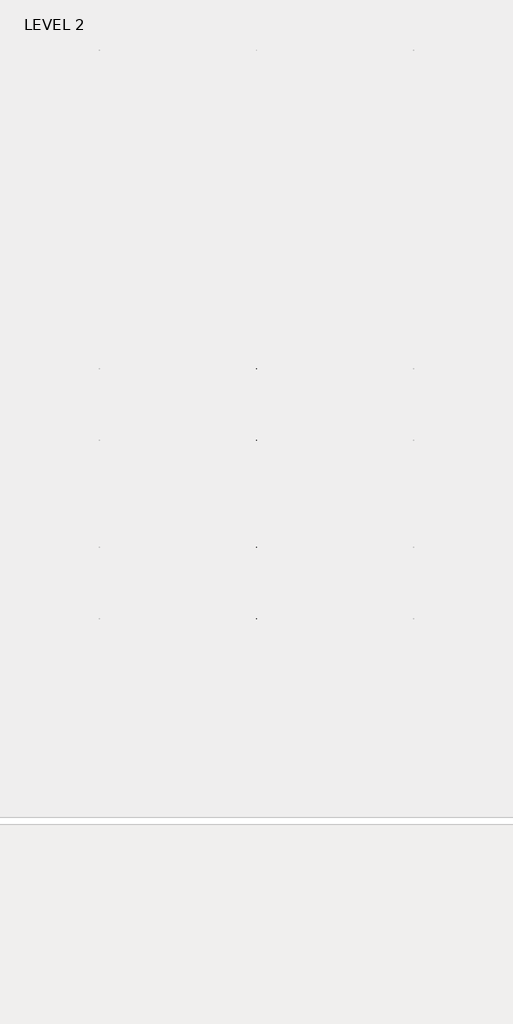
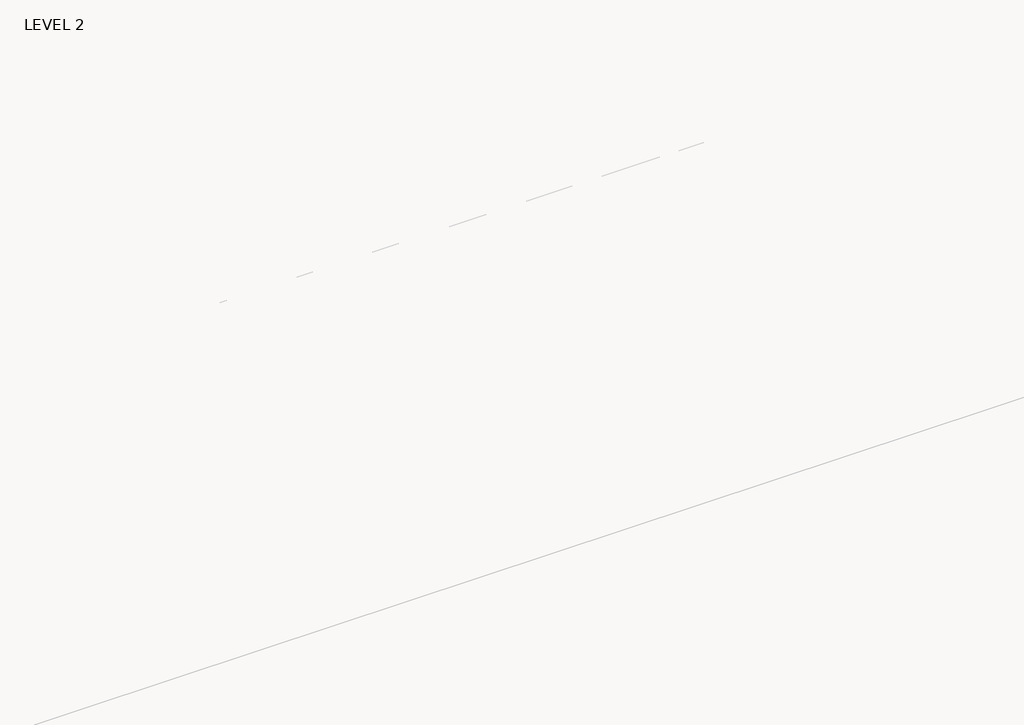
# One storey, part 25 of 67: 1 beam.
"""IFC4 building model written with IfcOpenShell, lengths in millimetres."""

from ifc_helpers import new_model, si_unit, frame, origin, place, context, project, spatial, polyline, outline, extrude, faceted_brep, element, save

model = new_model("IFC4")

# Units and contexts
model_context = context("Model", 3, world=origin())
ifc_project = project(units=[si_unit("LENGTHUNIT", "METRE", prefix="MILLI")], contexts=[model_context])

# Site, building, storey
site = spatial("IfcSite", under=ifc_project)
building = spatial("IfcBuilding", under=site)
storey = spatial("IfcBuildingStorey", under=building, Name="LEVEL 2", Elevation=6908.8)

# Beam
placement = place(None, origin())
element("IfcBeam", 1, ObjectType="K-Series Bar Joist-Angle Web : 12K3", at=placement, inside=storey, context=model_context, shape_type="SolidModel", body=[
    extrude(outline(polyline([(0.0, -9.525), (0.0, 0.0), (573.7533355, 0.0), (573.7533355, -9.525), (0.0, -9.525)])), frame((29301.0014942, -9604.1227945, 6274.1671734), z_axis=(0.0, -0.48308851527800273, 0.8755715198694479), x_axis=(0.0, -0.8755715198694479, -0.48308851527800273)), (0.0, 0.0, 1.0), 9.525),
    extrude(outline(polyline([(0.0, -9.525), (0.0, 0.0), (573.7533355, 0.0), (573.7533355, -9.525), (0.0, -9.525)])), frame((29291.4764942, -14433.5123055, 6174.0312759), z_axis=(0.0, 0.44637950228858414, 0.894843751688861), x_axis=(0.0, 0.894843751688861, -0.44637950228858414)), (0.0, 0.0, 1.0), 9.525),
    extrude(outline(polyline([(4.7625, 4.7625), (4.7625, -4.7625), (-4.7625, -4.7625), (-4.7625, 4.7625), (4.7625, 4.7625)])), frame((29296.2389942, -10108.7855836, 6001.1634358), z_axis=(0.0, 0.5271021201119526, 0.8498019504410923), x_axis=(-1.0, 0.0, 0.0)), (0.0, 0.0, 1.0), 317.9950191),
    extrude(outline(polyline([(4.7625, 4.7625), (4.7625, -4.7625001), (-4.7625, -4.7625001), (-4.7625, 4.7625), (4.7625, 4.7625)])), frame((29296.2389942, -13917.9668359, 5922.1812409), z_axis=(0.0, -0.5618747002661082, 0.8272223529383567), x_axis=(-1.0, 0.0, 0.0)), (0.0, 0.0, 1.0), 317.9950191),
    extrude(outline(polyline([(0.0, 0.0), (31.75, 0.0), (31.75, -6.35), (6.35, -6.35), (6.35, -31.75), (0.0, -31.75), (0.0, 0.0)])), frame((29301.0014942, -14019.4133656, 5913.7264136), z_axis=(0.0, 0.9997851055909517, 0.020730234887470715), x_axis=(1.0, 0.0, 0.0)), (0.0, 0.0, 1.0), 4013.2),
    extrude(outline(polyline([(-9.525, 0.0), (-9.525, -31.75), (-15.875, -31.75), (-15.875, -6.35), (-41.275, -6.35), (-41.275, 0.0), (-9.525, 0.0)])), frame((29301.0014942, -14019.4133656, 5913.7264136), z_axis=(0.0, 0.9997851055909517, 0.020730234887470715), x_axis=(1.0, 0.0, 0.0)), (0.0, 0.0, 1.0), 4013.2),
    extrude(outline(polyline([(-31.75, 0.0), (0.0, 0.0), (0.0, -6.35), (-25.4, -6.35), (-25.4, -31.75), (-31.75, -31.75), (-31.75, 0.0)])), frame((29332.7514942, -14532.3064049, 6144.4436003), z_axis=(0.0, 0.9997851055909517, 0.020730234887470715), x_axis=(1.0, 0.0, 0.0)), (0.0, 0.0, 1.0), 101.6),
    extrude(outline(polyline([(-41.275, 0.0), (-41.275, -31.75), (-47.625, -31.75), (-47.625, -6.35), (-73.025, -6.35), (-73.025, 0.0), (-41.275, 0.0)])), frame((29332.7514942, -14532.3064049, 6144.4436003), z_axis=(0.0, 0.9997851055909517, 0.020730234887470715), x_axis=(1.0, 0.0, 0.0)), (0.0, 0.0, 1.0), 101.6),
    extrude(outline(polyline([(0.0, 0.0), (31.75, 0.0), (31.75, -6.35), (6.35, -6.35), (6.35, -31.75), (0.0, -31.75), (0.0, 0.0)])), frame((29291.4764942, -9605.7653186, 6246.5939057), z_axis=(0.0, 0.9997851055909517, 0.020730234887470715), x_axis=(0.0, -0.020730234887470715, 0.9997851055909517)), (0.0, 0.0, 1.0), 101.6),
    extrude(outline(polyline([(0.0, 41.275), (6.35, 41.275), (6.35, 15.875), (31.75, 15.875), (31.75, 9.525), (0.0, 9.525), (0.0, 41.275)])), frame((29291.4764942, -9605.7653186, 6246.5939057), z_axis=(0.0, 0.9997851055909517, 0.020730234887470715), x_axis=(0.0, -0.020730234887470715, 0.9997851055909517)), (0.0, 0.0, 1.0), 101.6),
    extrude(outline(polyline([(0.0, 0.0), (31.75, 0.0), (31.75, -6.35), (6.35, -6.35), (6.35, -31.75), (0.0, -31.75), (0.0, 0.0)])), frame((29301.0014942, -14533.6227748, 6207.9299545), z_axis=(0.0, 0.9997851055909517, 0.020730234887470715), x_axis=(0.0, 0.020730234887470715, -0.9997851055909517)), (0.0, 0.0, 1.0), 5029.2),
    extrude(outline(polyline([(0.0, 9.525), (0.0, 41.275), (6.35, 41.275), (6.35, 15.875), (31.75, 15.875), (31.75, 9.525), (0.0, 9.525)])), frame((29301.0014942, -14533.6227748, 6207.9299545), z_axis=(0.0, 0.9997851055909517, 0.020730234887470715), x_axis=(0.0, 0.020730234887470715, -0.9997851055909517)), (0.0, 0.0, 1.0), 5029.2),
    faceted_brep([(29296.2389942, -10109.114676, 6017.0350244), (29296.2389942, -10108.7197651, 5997.9891181), (29291.4764942, -10108.7197651, 5997.9891181), (29291.4764942, -10109.114676, 6017.0350244), (29296.2389942, -10109.9510625, 6017.0176822), (29296.2389942, -10276.1904217, 6293.0308149), (29296.2389942, -10294.3999415, 6292.6532461), (29296.2389942, -10294.0050305, 6273.6073399), (29296.2389942, -10286.8200086, 6273.7563191), (29296.2389942, -10120.5806494, 5997.7431863), (29291.4764942, -10120.5806494, 5997.7431863), (29291.4764942, -10141.3605693, 6032.2448279), (29291.4764942, -10137.2808829, 6034.7019736), (29291.4764942, -10273.294904, 6260.5309003), (29291.4764942, -10277.3745905, 6258.0737547), (29291.4764942, -10286.8200086, 6273.7563191), (29291.4764942, -10294.0050305, 6273.6073399), (29291.4764942, -10294.3999415, 6292.6532461), (29291.4764942, -10276.1904217, 6293.0308149), (29291.4764942, -10109.9510625, 6017.0176822), (29278.7764942, -10277.3745905, 6258.0737547), (29278.7764942, -10141.3605693, 6032.2448279), (29278.7764942, -10137.2808829, 6034.7019736), (29278.7764942, -10273.294904, 6260.5309003)], [[[0, 1, 2, 3]], [[1, 0, 4, 5, 6, 7, 8, 9]], [[2, 1, 9, 10]], [[3, 2, 10, 11, 12, 13, 14, 15, 16, 17, 18, 19]], [[0, 3, 19, 4]], [[9, 8, 15, 14, 20, 21, 11, 10]], [[5, 4, 19, 18]], [[7, 6, 17, 16]], [[8, 7, 16, 15]], [[6, 5, 18, 17]], [[21, 22, 12, 11]], [[20, 14, 13, 23]], [[22, 21, 20, 23]], [[12, 22, 23, 13]]]),
    extrude(outline(polyline([(-10455.0089698, 5990.8089186), (-10455.4038808, 6009.8548248), (-10454.5674943, 6009.872167), (-10299.9121904, 6292.5389513), (-10281.7026706, 6292.9165201), (-10281.3077596, 6273.8706138), (-10288.4927815, 6273.7216346), (-10443.1480854, 5991.0548503), (-10455.0089698, 5990.8089186)])), frame((29296.2389942, 0.0, 0.0), z_axis=(1.0, 0.0, 0.0), x_axis=(0.0, 1.0, 0.0)), (0.0, 0.0, 1.0), 4.7625),
    extrude(outline(polyline([(-4.7625, 4.7625), (-4.7625, 0.0), (-17.4625, 0.0), (-17.4625, 4.7625), (-4.7625, 4.7625)])), frame((29296.2389942, -10423.8161725, 6026.3881984), z_axis=(0.0, 0.4799841217599757, 0.8772771756168657), x_axis=(-1.0, 0.0, 0.0)), (0.0, 0.0, 1.0), 263.6257159),
    faceted_brep([(29296.2389942, -13572.0067236, 5945.233029), (29296.2389942, -13571.6118126, 5926.1871227), (29291.4764942, -13571.6118126, 5926.1871227), (29291.4764942, -13572.0067236, 5945.233029), (29296.2389942, -13572.8431101, 5945.2156868), (29296.2389942, -13739.0824692, 6221.2288195), (29296.2389942, -13757.291989, 6220.8512507), (29296.2389942, -13756.897078, 6201.8053445), (29296.2389942, -13749.7120561, 6201.9543237), (29296.2389942, -13583.472697, 5925.941191), (29291.4764942, -13583.472697, 5925.941191), (29291.4764942, -13604.2526169, 5960.4428325), (29291.4764942, -13600.1729304, 5962.8999782), (29291.4764942, -13736.1869515, 6188.7289049), (29291.4764942, -13740.266638, 6186.2717593), (29291.4764942, -13749.7120561, 6201.9543237), (29291.4764942, -13756.897078, 6201.8053445), (29291.4764942, -13757.291989, 6220.8512507), (29291.4764942, -13739.0824692, 6221.2288195), (29291.4764942, -13572.8431101, 5945.2156868), (29278.7764942, -13740.266638, 6186.2717593), (29278.7764942, -13604.2526169, 5960.4428325), (29278.7764942, -13600.1729304, 5962.8999782), (29278.7764942, -13736.1869515, 6188.7289049)], [[[0, 1, 2, 3]], [[1, 0, 4, 5, 6, 7, 8, 9]], [[2, 1, 9, 10]], [[3, 2, 10, 11, 12, 13, 14, 15, 16, 17, 18, 19]], [[0, 3, 19, 4]], [[9, 8, 15, 14, 20, 21, 11, 10]], [[5, 4, 19, 18]], [[7, 6, 17, 16]], [[8, 7, 16, 15]], [[6, 5, 18, 17]], [[21, 22, 12, 11]], [[20, 14, 13, 23]], [[22, 21, 20, 23]], [[12, 22, 23, 13]]]),
    extrude(outline(polyline([(-13917.9010174, 5919.0069232), (-13918.2959283, 5938.0528295), (-13917.4595419, 5938.0701717), (-13762.804238, 6220.736956), (-13744.5947182, 6221.1145247), (-13744.1998072, 6202.0686185), (-13751.3848291, 6201.9196392), (-13906.040133, 5919.252855), (-13917.9010174, 5919.0069232)])), frame((29296.2389942, 0.0, 0.0), z_axis=(1.0, 0.0, 0.0), x_axis=(0.0, 1.0, 0.0)), (0.0, 0.0, 1.0), 4.7625),
    extrude(outline(polyline([(-4.7625, 4.7625001), (-4.7625, 0.0), (-17.4625, 0.0), (-17.4625, 4.7625001), (-4.7625, 4.7625001)])), frame((29296.2389942, -13886.70822, 5954.586203), z_axis=(0.0, 0.4799841217599757, 0.8772771756168657), x_axis=(-1.0, 0.0, 0.0)), (0.0, 0.0, 1.0), 263.6257159),
    faceted_brep([(29296.2389942, -10455.4038808, 6009.8548248), (29296.2389942, -10455.0089698, 5990.8089186), (29291.4764942, -10455.0089698, 5990.8089186), (29291.4764942, -10455.4038808, 6009.8548248), (29296.2389942, -10456.2402673, 6009.8374826), (29296.2389942, -10622.4796264, 6285.8506153), (29296.2389942, -10640.6891462, 6285.4730466), (29296.2389942, -10640.2942352, 6266.4271403), (29296.2389942, -10633.1092134, 6266.5761195), (29296.2389942, -10466.8698542, 5990.5629868), (29291.4764942, -10466.8698542, 5990.5629868), (29291.4764942, -10487.6497741, 6025.0646284), (29291.4764942, -10483.5700876, 6027.521774), (29291.4764942, -10619.5841088, 6253.3507008), (29291.4764942, -10623.6637952, 6250.8935552), (29291.4764942, -10633.1092134, 6266.5761195), (29291.4764942, -10640.2942352, 6266.4271403), (29291.4764942, -10640.6891462, 6285.4730466), (29291.4764942, -10622.4796264, 6285.8506153), (29291.4764942, -10456.2402673, 6009.8374826), (29278.7764942, -10623.6637952, 6250.8935552), (29278.7764942, -10487.6497741, 6025.0646284), (29278.7764942, -10483.5700876, 6027.521774), (29278.7764942, -10619.5841088, 6253.3507008)], [[[0, 1, 2, 3]], [[1, 0, 4, 5, 6, 7, 8, 9]], [[2, 1, 9, 10]], [[3, 2, 10, 11, 12, 13, 14, 15, 16, 17, 18, 19]], [[0, 3, 19, 4]], [[9, 8, 15, 14, 20, 21, 11, 10]], [[5, 4, 19, 18]], [[7, 6, 17, 16]], [[8, 7, 16, 15]], [[6, 5, 18, 17]], [[21, 22, 12, 11]], [[20, 14, 13, 23]], [[22, 21, 20, 23]], [[12, 22, 23, 13]]]),
    extrude(outline(polyline([(-10801.2981746, 5983.628719), (-10801.6930855, 6002.6746253), (-10800.8566991, 6002.6919675), (-10646.2013952, 6285.3587518), (-10627.9918754, 6285.7363206), (-10627.5969644, 6266.6904143), (-10634.7819863, 6266.5414351), (-10789.4372902, 5983.8746508), (-10801.2981746, 5983.628719)])), frame((29296.2389942, 0.0, 0.0), z_axis=(1.0, 0.0, 0.0), x_axis=(0.0, 1.0, 0.0)), (0.0, 0.0, 1.0), 4.7625),
    extrude(outline(polyline([(-4.7625, 4.7625001), (-4.7625, 0.0), (-17.4625, 0.0), (-17.4625, 4.7625001), (-4.7625, 4.7625001)])), frame((29296.2389942, -10770.1053772, 6019.2079988), z_axis=(0.0, 0.4799841217599757, 0.8772771756168657), x_axis=(-1.0, 0.0, 0.0)), (0.0, 0.0, 1.0), 263.6257159),
    faceted_brep([(29296.2389942, -10801.6930855, 6002.6746253), (29296.2389942, -10801.2981746, 5983.628719), (29291.4764942, -10801.2981746, 5983.628719), (29291.4764942, -10801.6930855, 6002.6746253), (29296.2389942, -10802.529472, 6002.6572831), (29296.2389942, -10968.7688312, 6278.6704158), (29296.2389942, -10986.978351, 6278.292847), (29296.2389942, -10986.58344, 6259.2469408), (29296.2389942, -10979.3984181, 6259.39592), (29296.2389942, -10813.1590589, 5983.3827873), (29291.4764942, -10813.1590589, 5983.3827873), (29291.4764942, -10833.9389788, 6017.8844289), (29291.4764942, -10829.8592924, 6020.3415745), (29291.4764942, -10965.8733135, 6246.1705013), (29291.4764942, -10969.953, 6243.7133556), (29291.4764942, -10979.3984181, 6259.39592), (29291.4764942, -10986.58344, 6259.2469408), (29291.4764942, -10986.978351, 6278.292847), (29291.4764942, -10968.7688312, 6278.6704158), (29291.4764942, -10802.529472, 6002.6572831), (29278.7764942, -10969.953, 6243.7133556), (29278.7764942, -10833.9389788, 6017.8844289), (29278.7764942, -10829.8592924, 6020.3415745), (29278.7764942, -10965.8733135, 6246.1705013)], [[[0, 1, 2, 3]], [[1, 0, 4, 5, 6, 7, 8, 9]], [[2, 1, 9, 10]], [[3, 2, 10, 11, 12, 13, 14, 15, 16, 17, 18, 19]], [[0, 3, 19, 4]], [[9, 8, 15, 14, 20, 21, 11, 10]], [[5, 4, 19, 18]], [[7, 6, 17, 16]], [[8, 7, 16, 15]], [[6, 5, 18, 17]], [[21, 22, 12, 11]], [[20, 14, 13, 23]], [[22, 21, 20, 23]], [[12, 22, 23, 13]]]),
    extrude(outline(polyline([(-11147.5873793, 5976.4485195), (-11147.9822903, 5995.4944258), (-11147.1459038, 5995.511768), (-10992.4905999, 6278.1785523), (-10974.2810801, 6278.556121), (-10973.8861692, 6259.5102148), (-10981.071191, 6259.3612356), (-11135.726495, 5976.6944513), (-11147.5873793, 5976.4485195)])), frame((29296.2389942, 0.0, 0.0), z_axis=(1.0, 0.0, 0.0), x_axis=(0.0, 1.0, 0.0)), (0.0, 0.0, 1.0), 4.7625),
    extrude(outline(polyline([(-4.7625, 4.7625), (-4.7625, 0.0), (-17.4625, 0.0), (-17.4625, 4.7625), (-4.7625, 4.7625)])), frame((29296.2389942, -11116.394582, 6012.0277993), z_axis=(0.0, 0.4799841217599757, 0.8772771756168657), x_axis=(-1.0, 0.0, 0.0)), (0.0, 0.0, 1.0), 263.6257159),
    faceted_brep([(29296.2389942, -11147.9822903, 5995.4944258), (29296.2389942, -11147.5873793, 5976.4485195), (29291.4764942, -11147.5873793, 5976.4485195), (29291.4764942, -11147.9822903, 5995.4944258), (29296.2389942, -11148.8186768, 5995.4770835), (29296.2389942, -11315.0580359, 6271.4902163), (29296.2389942, -11333.2675557, 6271.1126475), (29296.2389942, -11332.8726447, 6252.0667412), (29296.2389942, -11325.6876229, 6252.2157204), (29296.2389942, -11159.4482637, 5976.2025877), (29291.4764942, -11159.4482637, 5976.2025877), (29291.4764942, -11180.2281836, 6010.7042293), (29291.4764942, -11176.1484971, 6013.1613749), (29291.4764942, -11312.1625183, 6238.9903017), (29291.4764942, -11316.2422047, 6236.5331561), (29291.4764942, -11325.6876229, 6252.2157204), (29291.4764942, -11332.8726447, 6252.0667412), (29291.4764942, -11333.2675557, 6271.1126475), (29291.4764942, -11315.0580359, 6271.4902163), (29291.4764942, -11148.8186768, 5995.4770835), (29278.7764942, -11316.2422047, 6236.5331561), (29278.7764942, -11180.2281836, 6010.7042293), (29278.7764942, -11176.1484971, 6013.1613749), (29278.7764942, -11312.1625183, 6238.9903017)], [[[0, 1, 2, 3]], [[1, 0, 4, 5, 6, 7, 8, 9]], [[2, 1, 9, 10]], [[3, 2, 10, 11, 12, 13, 14, 15, 16, 17, 18, 19]], [[0, 3, 19, 4]], [[9, 8, 15, 14, 20, 21, 11, 10]], [[5, 4, 19, 18]], [[7, 6, 17, 16]], [[8, 7, 16, 15]], [[6, 5, 18, 17]], [[21, 22, 12, 11]], [[20, 14, 13, 23]], [[22, 21, 20, 23]], [[12, 22, 23, 13]]]),
    extrude(outline(polyline([(-11493.8765841, 5969.26832), (-11494.2714951, 5988.3142262), (-11493.4351086, 5988.3315684), (-11338.7798047, 6270.9983527), (-11320.5702849, 6271.3759215), (-11320.1753739, 6252.3300152), (-11327.3603958, 6252.181036), (-11482.0156997, 5969.5142517), (-11493.8765841, 5969.26832)])), frame((29296.2389942, 0.0, 0.0), z_axis=(1.0, 0.0, 0.0), x_axis=(0.0, 1.0, 0.0)), (0.0, 0.0, 1.0), 4.7625),
    extrude(outline(polyline([(-4.7625, 4.7625), (-4.7625, 0.0), (-17.4625, 0.0), (-17.4625, 4.7625), (-4.7625, 4.7625)])), frame((29296.2389942, -11462.6837867, 6004.8475998), z_axis=(0.0, 0.4799841217599757, 0.8772771756168657), x_axis=(-1.0, 0.0, 0.0)), (0.0, 0.0, 1.0), 263.6257159),
    faceted_brep([(29296.2389942, -11494.2714951, 5988.3142262), (29296.2389942, -11493.8765841, 5969.26832), (29291.4764942, -11493.8765841, 5969.26832), (29291.4764942, -11494.2714951, 5988.3142262), (29296.2389942, -11495.1078815, 5988.296884), (29296.2389942, -11661.3472407, 6264.3100167), (29296.2389942, -11679.5567605, 6263.932448), (29296.2389942, -11679.1618495, 6244.8865417), (29296.2389942, -11671.9768276, 6245.0355209), (29296.2389942, -11505.7374685, 5969.0223882), (29291.4764942, -11505.7374685, 5969.0223882), (29291.4764942, -11526.5173883, 6003.5240298), (29291.4764942, -11522.4377019, 6005.9811754), (29291.4764942, -11658.451723, 6231.8101022), (29291.4764942, -11662.5314095, 6229.3529565), (29291.4764942, -11671.9768276, 6245.0355209), (29291.4764942, -11679.1618495, 6244.8865417), (29291.4764942, -11679.5567605, 6263.932448), (29291.4764942, -11661.3472407, 6264.3100167), (29291.4764942, -11495.1078815, 5988.296884), (29278.7764942, -11662.5314095, 6229.3529565), (29278.7764942, -11526.5173883, 6003.5240298), (29278.7764942, -11522.4377019, 6005.9811754), (29278.7764942, -11658.451723, 6231.8101022)], [[[0, 1, 2, 3]], [[1, 0, 4, 5, 6, 7, 8, 9]], [[2, 1, 9, 10]], [[3, 2, 10, 11, 12, 13, 14, 15, 16, 17, 18, 19]], [[0, 3, 19, 4]], [[9, 8, 15, 14, 20, 21, 11, 10]], [[5, 4, 19, 18]], [[7, 6, 17, 16]], [[8, 7, 16, 15]], [[6, 5, 18, 17]], [[21, 22, 12, 11]], [[20, 14, 13, 23]], [[22, 21, 20, 23]], [[12, 22, 23, 13]]]),
    extrude(outline(polyline([(-11840.1657888, 5962.0881204), (-11840.5606998, 5981.1340267), (-11839.7243133, 5981.1513689), (-11685.0690094, 6263.8181532), (-11666.8594896, 6264.1957219), (-11666.4645787, 6245.1498157), (-11673.6496006, 6245.0008365), (-11828.3049045, 5962.3340522), (-11840.1657888, 5962.0881204)])), frame((29296.2389942, 0.0, 0.0), z_axis=(1.0, 0.0, 0.0), x_axis=(0.0, 1.0, 0.0)), (0.0, 0.0, 1.0), 4.7625),
    extrude(outline(polyline([(-4.7625, 4.7625), (-4.7625, 0.0), (-17.4625, 0.0), (-17.4625, 4.7625), (-4.7625, 4.7625)])), frame((29296.2389942, -11808.9729915, 5997.6674002), z_axis=(0.0, 0.4799841217599757, 0.8772771756168657), x_axis=(-1.0, 0.0, 0.0)), (0.0, 0.0, 1.0), 263.6257159),
    faceted_brep([(29296.2389942, -11840.5606998, 5981.1340267), (29296.2389942, -11840.1657888, 5962.0881204), (29291.4764942, -11840.1657888, 5962.0881204), (29291.4764942, -11840.5606998, 5981.1340267), (29296.2389942, -11841.3970863, 5981.1166845), (29296.2389942, -12007.6364454, 6257.1298172), (29296.2389942, -12025.8459652, 6256.7522484), (29296.2389942, -12025.4510543, 6237.7063422), (29296.2389942, -12018.2660324, 6237.8553214), (29296.2389942, -11852.0266732, 5961.8421887), (29291.4764942, -11852.0266732, 5961.8421887), (29291.4764942, -11872.8065931, 5996.3438302), (29291.4764942, -11868.7269066, 5998.8009759), (29291.4764942, -12004.7409278, 6224.6299026), (29291.4764942, -12008.8206142, 6222.172757), (29291.4764942, -12018.2660324, 6237.8553214), (29291.4764942, -12025.4510543, 6237.7063422), (29291.4764942, -12025.8459652, 6256.7522484), (29291.4764942, -12007.6364454, 6257.1298172), (29291.4764942, -11841.3970863, 5981.1166845), (29278.7764942, -12008.8206142, 6222.172757), (29278.7764942, -11872.8065931, 5996.3438302), (29278.7764942, -11868.7269066, 5998.8009759), (29278.7764942, -12004.7409278, 6224.6299026)], [[[0, 1, 2, 3]], [[1, 0, 4, 5, 6, 7, 8, 9]], [[2, 1, 9, 10]], [[3, 2, 10, 11, 12, 13, 14, 15, 16, 17, 18, 19]], [[0, 3, 19, 4]], [[9, 8, 15, 14, 20, 21, 11, 10]], [[5, 4, 19, 18]], [[7, 6, 17, 16]], [[8, 7, 16, 15]], [[6, 5, 18, 17]], [[21, 22, 12, 11]], [[20, 14, 13, 23]], [[22, 21, 20, 23]], [[12, 22, 23, 13]]]),
    extrude(outline(polyline([(-12186.4549936, 5954.9079209), (-12186.8499046, 5973.9538271), (-12186.0135181, 5973.9711694), (-12031.3582142, 6256.6379536), (-12013.1486944, 6257.0155224), (-12012.7537834, 6237.9696161), (-12019.9388053, 6237.8206369), (-12174.5941092, 5955.1538527), (-12186.4549936, 5954.9079209)])), frame((29296.2389942, 0.0, 0.0), z_axis=(1.0, 0.0, 0.0), x_axis=(0.0, 1.0, 0.0)), (0.0, 0.0, 1.0), 4.7625),
    extrude(outline(polyline([(-4.7625, 4.7625001), (-4.7625, 0.0), (-17.4625, 0.0), (-17.4625, 4.7625001), (-4.7625, 4.7625001)])), frame((29296.2389942, -12155.2621962, 5990.4872007), z_axis=(0.0, 0.4799841217599757, 0.8772771756168657), x_axis=(-1.0, 0.0, 0.0)), (0.0, 0.0, 1.0), 263.6257159),
    faceted_brep([(29296.2389942, -12186.8499046, 5973.9538271), (29296.2389942, -12186.4549936, 5954.9079209), (29291.4764942, -12186.4549936, 5954.9079209), (29291.4764942, -12186.8499046, 5973.9538271), (29296.2389942, -12187.686291, 5973.9364849), (29296.2389942, -12353.9256502, 6249.9496176), (29296.2389942, -12372.13517, 6249.5720489), (29296.2389942, -12371.740259, 6230.5261426), (29296.2389942, -12364.5552371, 6230.6751218), (29296.2389942, -12198.315878, 5954.6619891), (29291.4764942, -12198.315878, 5954.6619891), (29291.4764942, -12219.0957979, 5989.1636307), (29291.4764942, -12215.0161114, 5991.6207763), (29291.4764942, -12351.0301325, 6217.4497031), (29291.4764942, -12355.109819, 6214.9925575), (29291.4764942, -12364.5552371, 6230.6751218), (29291.4764942, -12371.740259, 6230.5261426), (29291.4764942, -12372.13517, 6249.5720489), (29291.4764942, -12353.9256502, 6249.9496176), (29291.4764942, -12187.686291, 5973.9364849), (29278.7764942, -12355.109819, 6214.9925575), (29278.7764942, -12219.0957979, 5989.1636307), (29278.7764942, -12215.0161114, 5991.6207763), (29278.7764942, -12351.0301325, 6217.4497031)], [[[0, 1, 2, 3]], [[1, 0, 4, 5, 6, 7, 8, 9]], [[2, 1, 9, 10]], [[3, 2, 10, 11, 12, 13, 14, 15, 16, 17, 18, 19]], [[0, 3, 19, 4]], [[9, 8, 15, 14, 20, 21, 11, 10]], [[5, 4, 19, 18]], [[7, 6, 17, 16]], [[8, 7, 16, 15]], [[6, 5, 18, 17]], [[21, 22, 12, 11]], [[20, 14, 13, 23]], [[22, 21, 20, 23]], [[12, 22, 23, 13]]]),
    extrude(outline(polyline([(-12532.7441983, 5947.7277213), (-12533.1391093, 5966.7736276), (-12532.3027228, 5966.7909698), (-12377.6474189, 6249.4577541), (-12359.4378991, 6249.8353229), (-12359.0429882, 6230.7894166), (-12366.2280101, 6230.6404374), (-12520.883314, 5947.9736531), (-12532.7441983, 5947.7277213)])), frame((29296.2389942, 0.0, 0.0), z_axis=(1.0, 0.0, 0.0), x_axis=(0.0, 1.0, 0.0)), (0.0, 0.0, 1.0), 4.7625),
    extrude(outline(polyline([(-4.7625, 4.7625), (-4.7625, 0.0), (-17.4625, 0.0), (-17.4625, 4.7625), (-4.7625, 4.7625)])), frame((29296.2389942, -12501.551401, 5983.3070011), z_axis=(0.0, 0.4799841217599757, 0.8772771756168657), x_axis=(-1.0, 0.0, 0.0)), (0.0, 0.0, 1.0), 263.6257159),
    faceted_brep([(29296.2389942, -12533.1391093, 5966.7736276), (29296.2389942, -12532.7441983, 5947.7277213), (29291.4764942, -12532.7441983, 5947.7277213), (29291.4764942, -12533.1391093, 5966.7736276), (29296.2389942, -12533.9754958, 5966.7562854), (29296.2389942, -12700.214855, 6242.7694181), (29296.2389942, -12718.4243747, 6242.3918493), (29296.2389942, -12718.0294638, 6223.3459431), (29296.2389942, -12710.8444419, 6223.4949223), (29296.2389942, -12544.6050827, 5947.4817896), (29291.4764942, -12544.6050827, 5947.4817896), (29291.4764942, -12565.3850026, 5981.9834312), (29291.4764942, -12561.3053162, 5984.4405768), (29291.4764942, -12697.3193373, 6210.2695036), (29291.4764942, -12701.3990237, 6207.8123579), (29291.4764942, -12710.8444419, 6223.4949223), (29291.4764942, -12718.0294638, 6223.3459431), (29291.4764942, -12718.4243747, 6242.3918493), (29291.4764942, -12700.214855, 6242.7694181), (29291.4764942, -12533.9754958, 5966.7562854), (29278.7764942, -12701.3990237, 6207.8123579), (29278.7764942, -12565.3850026, 5981.9834312), (29278.7764942, -12561.3053162, 5984.4405768), (29278.7764942, -12697.3193373, 6210.2695036)], [[[0, 1, 2, 3]], [[1, 0, 4, 5, 6, 7, 8, 9]], [[2, 1, 9, 10]], [[3, 2, 10, 11, 12, 13, 14, 15, 16, 17, 18, 19]], [[0, 3, 19, 4]], [[9, 8, 15, 14, 20, 21, 11, 10]], [[5, 4, 19, 18]], [[7, 6, 17, 16]], [[8, 7, 16, 15]], [[6, 5, 18, 17]], [[21, 22, 12, 11]], [[20, 14, 13, 23]], [[22, 21, 20, 23]], [[12, 22, 23, 13]]]),
    extrude(outline(polyline([(-12879.0334031, 5940.5475218), (-12879.4283141, 5959.5934281), (-12878.5919276, 5959.6107703), (-12723.9366237, 6242.2775546), (-12705.7271039, 6242.6551233), (-12705.3321929, 6223.6092171), (-12712.5172148, 6223.4602379), (-12867.1725187, 5940.7934536), (-12879.0334031, 5940.5475218)])), frame((29296.2389942, 0.0, 0.0), z_axis=(1.0, 0.0, 0.0), x_axis=(0.0, 1.0, 0.0)), (0.0, 0.0, 1.0), 4.7625),
    extrude(outline(polyline([(-4.7625, 4.7625001), (-4.7625, 0.0), (-17.4625, 0.0), (-17.4625, 4.7625001), (-4.7625, 4.7625001)])), frame((29296.2389942, -12847.8406057, 5976.1268016), z_axis=(0.0, 0.4799841217599757, 0.8772771756168657), x_axis=(-1.0, 0.0, 0.0)), (0.0, 0.0, 1.0), 263.6257159),
    faceted_brep([(29296.2389942, -12879.4283141, 5959.5934281), (29296.2389942, -12879.0334031, 5940.5475218), (29291.4764942, -12879.0334031, 5940.5475218), (29291.4764942, -12879.4283141, 5959.5934281), (29296.2389942, -12880.2647005, 5959.5760859), (29296.2389942, -13046.5040597, 6235.5892186), (29296.2389942, -13064.7135795, 6235.2116498), (29296.2389942, -13064.3186685, 6216.1657435), (29296.2389942, -13057.1336466, 6216.3147228), (29296.2389942, -12890.8942875, 5940.30159), (29291.4764942, -12890.8942875, 5940.30159), (29291.4764942, -12911.6742074, 5974.8032316), (29291.4764942, -12907.5945209, 5977.2603773), (29291.4764942, -13043.608542, 6203.089304), (29291.4764942, -13047.6882285, 6200.6321584), (29291.4764942, -13057.1336466, 6216.3147228), (29291.4764942, -13064.3186685, 6216.1657435), (29291.4764942, -13064.7135795, 6235.2116498), (29291.4764942, -13046.5040597, 6235.5892186), (29291.4764942, -12880.2647005, 5959.5760859), (29278.7764942, -13047.6882285, 6200.6321584), (29278.7764942, -12911.6742074, 5974.8032316), (29278.7764942, -12907.5945209, 5977.2603773), (29278.7764942, -13043.608542, 6203.089304)], [[[0, 1, 2, 3]], [[1, 0, 4, 5, 6, 7, 8, 9]], [[2, 1, 9, 10]], [[3, 2, 10, 11, 12, 13, 14, 15, 16, 17, 18, 19]], [[0, 3, 19, 4]], [[9, 8, 15, 14, 20, 21, 11, 10]], [[5, 4, 19, 18]], [[7, 6, 17, 16]], [[8, 7, 16, 15]], [[6, 5, 18, 17]], [[21, 22, 12, 11]], [[20, 14, 13, 23]], [[22, 21, 20, 23]], [[12, 22, 23, 13]]]),
    extrude(outline(polyline([(-13225.3226079, 5933.3673223), (-13225.7175188, 5952.4132285), (-13224.8811324, 5952.4305707), (-13070.2258284, 6235.097355), (-13052.0163087, 6235.4749238), (-13051.6213977, 6216.4290175), (-13058.8064196, 6216.2800383), (-13213.4617235, 5933.613254), (-13225.3226079, 5933.3673223)])), frame((29296.2389942, 0.0, 0.0), z_axis=(1.0, 0.0, 0.0), x_axis=(0.0, 1.0, 0.0)), (0.0, 0.0, 1.0), 4.7625),
    extrude(outline(polyline([(-4.7625, 4.7625), (-4.7625, 0.0), (-17.4625, 0.0), (-17.4625, 4.7625), (-4.7625, 4.7625)])), frame((29296.2389942, -13194.1298105, 5968.9466021), z_axis=(0.0, 0.4799841217599757, 0.8772771756168657), x_axis=(-1.0, 0.0, 0.0)), (0.0, 0.0, 1.0), 263.6257159),
    faceted_brep([(29296.2389942, -13225.7175188, 5952.4132285), (29296.2389942, -13225.3226079, 5933.3673223), (29291.4764942, -13225.3226079, 5933.3673223), (29291.4764942, -13225.7175188, 5952.4132285), (29296.2389942, -13226.5539053, 5952.3958863), (29296.2389942, -13392.7932645, 6228.409019), (29296.2389942, -13411.0027843, 6228.0314503), (29296.2389942, -13410.6078733, 6208.985544), (29296.2389942, -13403.4228514, 6209.1345232), (29296.2389942, -13237.1834922, 5933.1213905), (29291.4764942, -13237.1834922, 5933.1213905), (29291.4764942, -13257.9634121, 5967.6230321), (29291.4764942, -13253.8837257, 5970.0801777), (29291.4764942, -13389.8977468, 6195.9091045), (29291.4764942, -13393.9774333, 6193.4519589), (29291.4764942, -13403.4228514, 6209.1345232), (29291.4764942, -13410.6078733, 6208.985544), (29291.4764942, -13411.0027843, 6228.0314503), (29291.4764942, -13392.7932645, 6228.409019), (29291.4764942, -13226.5539053, 5952.3958863), (29278.7764942, -13393.9774333, 6193.4519589), (29278.7764942, -13257.9634121, 5967.6230321), (29278.7764942, -13253.8837257, 5970.0801777), (29278.7764942, -13389.8977468, 6195.9091045)], [[[0, 1, 2, 3]], [[1, 0, 4, 5, 6, 7, 8, 9]], [[2, 1, 9, 10]], [[3, 2, 10, 11, 12, 13, 14, 15, 16, 17, 18, 19]], [[0, 3, 19, 4]], [[9, 8, 15, 14, 20, 21, 11, 10]], [[5, 4, 19, 18]], [[7, 6, 17, 16]], [[8, 7, 16, 15]], [[6, 5, 18, 17]], [[21, 22, 12, 11]], [[20, 14, 13, 23]], [[22, 21, 20, 23]], [[12, 22, 23, 13]]]),
    extrude(outline(polyline([(-13571.6118126, 5926.1871227), (-13572.0067236, 5945.233029), (-13571.1703371, 5945.2503712), (-13416.5150332, 6227.9171555), (-13398.3055134, 6228.2947243), (-13397.9106024, 6209.248818), (-13405.0956243, 6209.0998388), (-13559.7509282, 5926.4330545), (-13571.6118126, 5926.1871227)])), frame((29296.2389942, 0.0, 0.0), z_axis=(1.0, 0.0, 0.0), x_axis=(0.0, 1.0, 0.0)), (0.0, 0.0, 1.0), 4.7625),
    extrude(outline(polyline([(-4.7625, 4.7625001), (-4.7625, 0.0), (-17.4625, 0.0), (-17.4625, 4.7625001), (-4.7625, 4.7625001)])), frame((29296.2389942, -13540.4190152, 5961.7664025), z_axis=(0.0, 0.4799841217599757, 0.8772771756168657), x_axis=(-1.0, 0.0, 0.0)), (0.0, 0.0, 1.0), 263.6257159),
])

save(model, "model.ifc")
